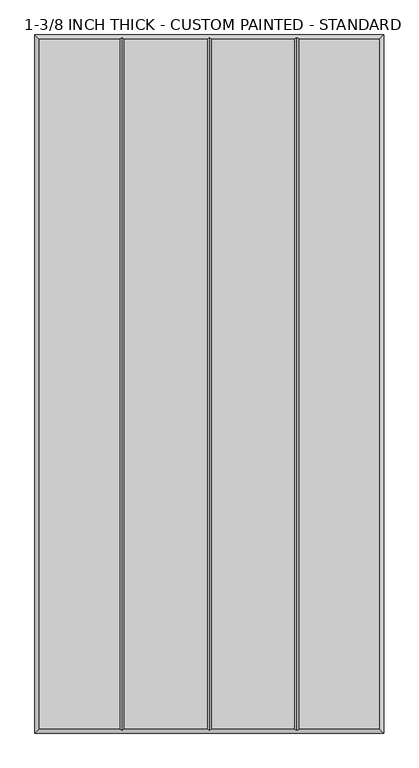
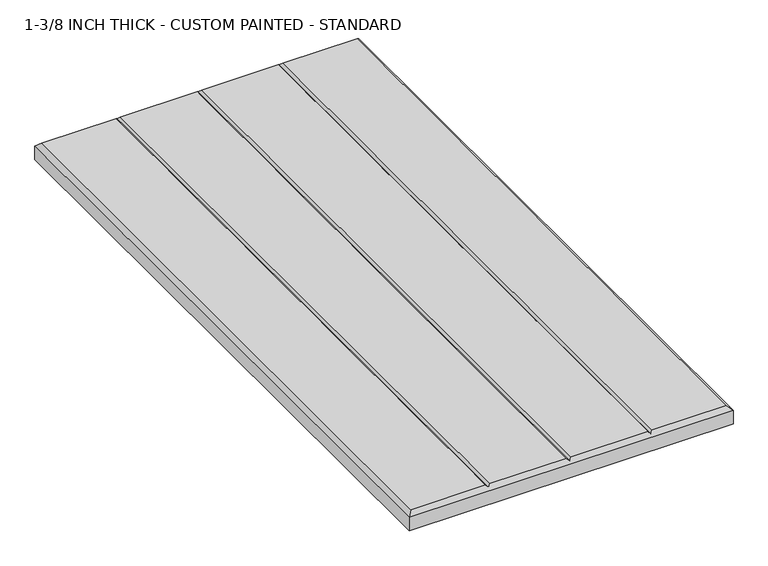
"""IFC4 building model written with IfcOpenShell, lengths in millimetres: proxy geometry, 1-3/8 INCH THICK - CUSTOM PAINTED - STANDARD."""

from ifc_helpers import new_model, si_unit, origin, place, context, project, spatial, faceted_brep, source, transform, mapped, element, save


def proxy_1_3_8_inch_thick_custom_painted_standard_75f3447d(model_context):
    return source(origin(), model_context, "Body", "Brep", [
        faceted_brep([(-296.799, 601.599, 34.925), (-296.799, -601.599, 34.925), (-156.4009826, -601.599, 34.925), (-156.4009826, 601.599, 34.925), (296.799, -601.599, 34.925), (296.799, 601.599, 34.925), (156.4010334, 601.599, 34.925), (156.4010334, -601.599, 34.925), (-148.3999826, 601.599, 34.925), (-148.3999826, -601.599, 34.925), (-4.0004746, -601.599, 34.925), (-4.0004746, 601.599, 34.925), (4.0005254, 601.599, 34.925), (4.0005254, -601.599, 34.925), (148.4000334, -601.599, 34.925), (148.4000334, 601.599, 34.925), (-304.8, 609.6, 0.0), (304.8, 609.6, 0.0), (304.8, -609.6, 0.0), (-304.8, -609.6, 0.0), (-304.8, -609.6, 26.924), (-304.8, 609.6, 26.924), (304.8, -609.6, 26.924), (304.8, 609.6, 26.924), (-152.4004826, 605.5995, 30.9245), (2.54e-05, 605.5995, 30.9245), (152.4005334, 605.5995, 30.9245), (152.4005334, -605.5995, 30.9245), (2.54e-05, -605.5995, 30.9245), (-152.4004826, -605.5995, 30.9245)], [[[0, 1, 2, 3]], [[4, 5, 6, 7]], [[8, 9, 10, 11]], [[12, 13, 14, 15]], [[16, 17, 18, 19]], [[16, 19, 20, 21]], [[19, 18, 22, 20]], [[18, 17, 23, 22]], [[17, 16, 21, 23]], [[21, 0, 3, 24, 8, 11, 25, 12, 15, 26, 6, 5, 23]], [[0, 21, 20, 1]], [[1, 20, 22, 4, 7, 27, 14, 13, 28, 10, 9, 29, 2]], [[23, 5, 4, 22]], [[24, 29, 9, 8]], [[29, 24, 3, 2]], [[25, 28, 13, 12]], [[28, 25, 11, 10]], [[26, 27, 7, 6]], [[27, 26, 15, 14]]]),
    ])


if __name__ == "__main__":
    model = new_model("IFC4")
    model_context = context("Model", 3, world=origin())
    ifc_project = project(units=[si_unit("LENGTHUNIT", "METRE", prefix="MILLI")], contexts=[model_context])
    site = spatial("IfcSite", under=ifc_project)
    building = spatial("IfcBuilding", under=site)
    placement = place(None, origin())
    proxy_1_3_8_inch_thick_custom_painted_standard_shape = proxy_1_3_8_inch_thick_custom_painted_standard_75f3447d(model_context)
    element("IfcBuildingElementProxy", 1, Name="1-3/8 INCH THICK - CUSTOM PAINTED - STANDARD", ObjectType="1-3/8 INCH THICK - CUSTOM PAINTED - STANDARD", at=placement, inside=building, context=model_context, shape_type="MappedRepresentation", body=[
        mapped(proxy_1_3_8_inch_thick_custom_painted_standard_shape, transform((0.0, 0.0, 0.0), x_axis=(1.0, 0.0, 0.0), y_axis=(0.0, 1.0, 0.0), z_axis=(0.0, 0.0, 1.0))),
    ])
    save(model, "model.ifc")
